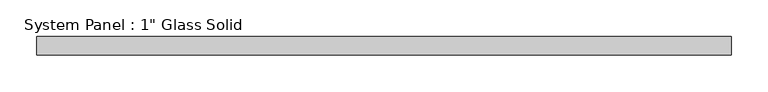
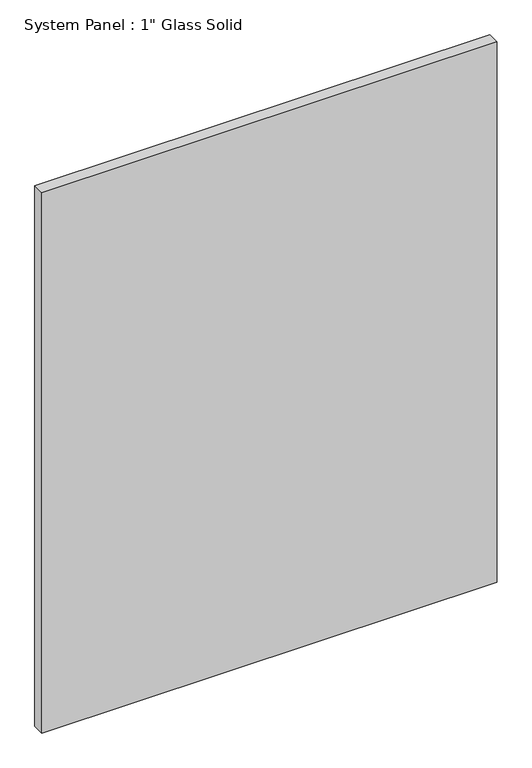
"""IFC4 building model written with IfcOpenShell, lengths in millimetres: plate geometry."""

from ifc_helpers import new_model, si_unit, origin, origin_with_axes, place, context, project, spatial, polyline, outline, extrude, source, transform, mapped, element, save


def plate_65c982b6(model_context):
    return source(origin(), model_context, "Body", "SweptSolid", [
        extrude(outline(polyline([(473.0758852, -12.7), (-473.0758852, -12.7), (-473.0758852, 12.7), (473.0758852, 12.7), (473.0758852, -12.7)])), origin_with_axes(), (0.0, 0.0, 1.0), 1187.4517704),
    ])


if __name__ == "__main__":
    model = new_model("IFC4")
    model_context = context("Model", 3, world=origin())
    ifc_project = project(units=[si_unit("LENGTHUNIT", "METRE", prefix="MILLI")], contexts=[model_context])
    site = spatial("IfcSite", under=ifc_project)
    building = spatial("IfcBuilding", under=site)
    placement = place(None, origin())
    plate_shape = plate_65c982b6(model_context)
    element("IfcPlate", 1, ObjectType="System Panel : 1\" Glass Solid", at=placement, inside=building, context=model_context, shape_type="MappedRepresentation", body=[
        mapped(plate_shape, transform((0.0, 0.0, 0.0), x_axis=(1.0, 0.0, 0.0), y_axis=(0.0, 1.0, 0.0), z_axis=(0.0, 0.0, 1.0))),
    ])
    save(model, "model.ifc")
